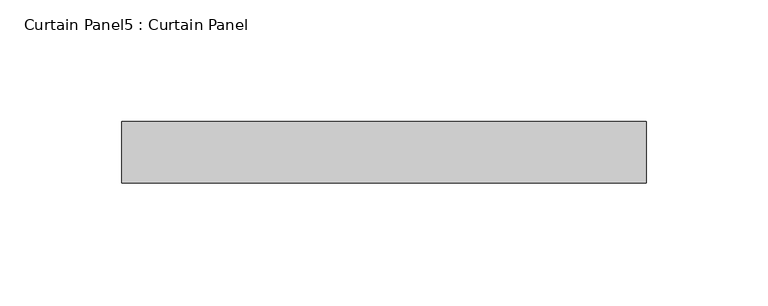
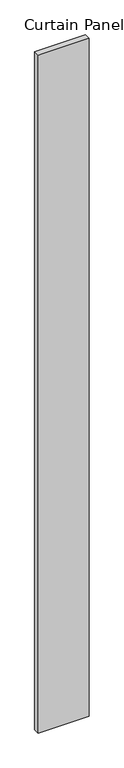
"""IFC4 building model written with IfcOpenShell, lengths in millimetres: plate geometry, Curtain Panel5 : Curtain Panel."""

from ifc_helpers import new_model, si_unit, frame, origin, place, context, project, spatial, polyline, outline, extrude, source, transform, mapped, element, save


def curtain_panel5_curtain_panel_a1688913(model_context):
    return source(origin(), model_context, "Body", "SweptSolid", [
        extrude(outline(polyline([(-1225.9605591, 2151.7299173), (-1010.0605591, 2151.7299173), (-1010.0605591, 2126.3299173), (-1225.9605591, 2126.3299173), (-1225.9605591, 2151.7299173)])), frame((0.0, 0.0, -655.9548836), z_axis=(0.0, 0.0, 1.0), x_axis=(1.0, 0.0, 0.0)), (0.0, 0.0, 1.0), 3048.0),
    ])


if __name__ == "__main__":
    model = new_model("IFC4")
    model_context = context("Model", 3, world=origin())
    ifc_project = project(units=[si_unit("LENGTHUNIT", "METRE", prefix="MILLI")], contexts=[model_context])
    site = spatial("IfcSite", under=ifc_project)
    building = spatial("IfcBuilding", under=site)
    placement = place(None, origin())
    curtain_panel5_curtain_panel_shape = curtain_panel5_curtain_panel_a1688913(model_context)
    element("IfcPlate", 1, ObjectType="Curtain Panel5 : Curtain Panel", at=placement, inside=building, context=model_context, shape_type="MappedRepresentation", body=[
        mapped(curtain_panel5_curtain_panel_shape, transform((0.0, 0.0, 0.0), x_axis=(1.0, 0.0, 0.0), y_axis=(0.0, 1.0, 0.0), z_axis=(0.0, 0.0, 1.0))),
    ])
    save(model, "model.ifc")
